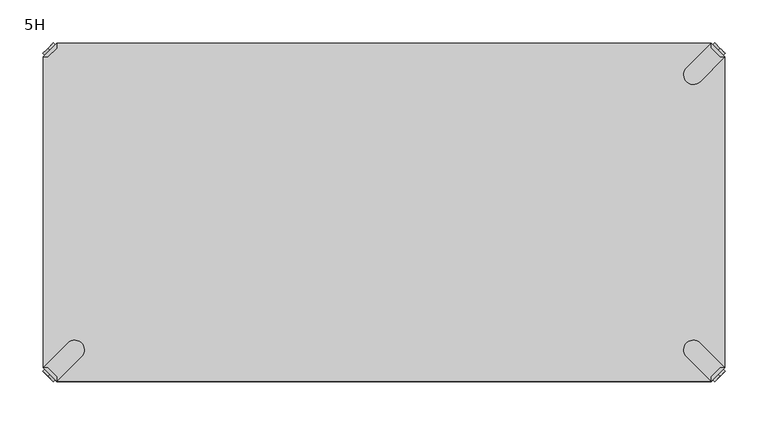
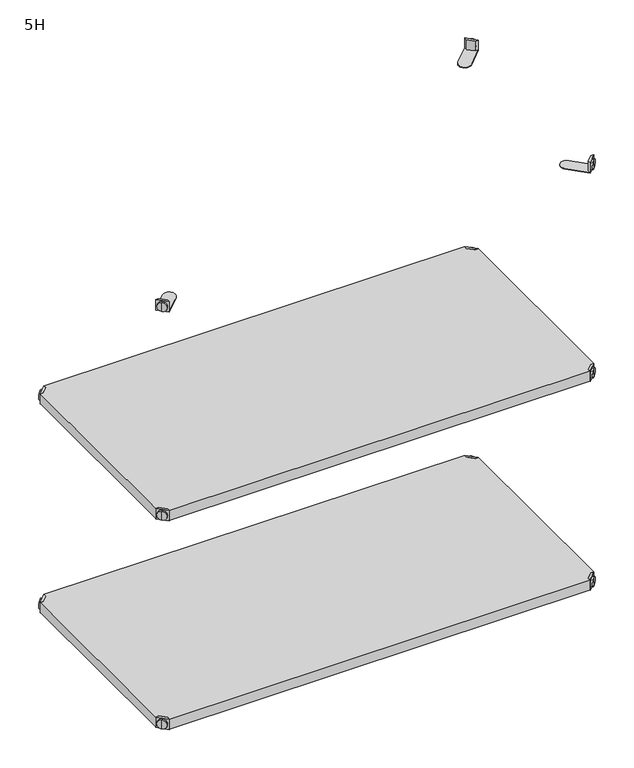
"""IFC4 building model written with IfcOpenShell, lengths in millimetres: furniture geometry, 5H."""

from ifc_helpers import new_model, si_unit, frame, origin, place, context, project, spatial, polyline, circle_curve, outline, extrude, source, transform, mapped, element, save
from ifc_brep_helpers import plane_surface, cylinder_surface, advanced_brep


def furniture_5h_38473c17(model_context):
    return source(origin(), model_context, "Body", "SolidModel", [
        advanced_brep(
        [(789.0398449, -10.9601551, 498.5), (789.0398449, -10.9601551, 507.0), (789.0398449, -10.9601551, 515.5), (791.1611652, -8.8388348, 498.5), (791.1611652, -8.8388348, 515.5), (791.1611652, -8.8388348, 507.0)],
        [
            (0, 1),
            (1, 2),
            (2, 0, circle_curve(frame((789.0398449, -10.9601551, 507.0), z_axis=(-0.7071067811865556, -0.7071067811865395, 0.0), x_axis=(0.0, 0.0, 1.0)), 8.5)),
            (0, 2, circle_curve(frame((789.0398449, -10.9601551, 507.0), z_axis=(-0.7071067811865556, -0.7071067811865395, 0.0), x_axis=(0.0, 0.0, 1.0)), 8.5)),
            (3, 0),
            (2, 4),
            (4, 3, circle_curve(frame((791.1611652, -8.8388348, 507.0), z_axis=(-0.7071067811865556, -0.7071067811865395, 0.0), x_axis=(0.0, 0.0, 1.0)), 8.5)),
            (3, 4, circle_curve(frame((791.1611652, -8.8388348, 507.0), z_axis=(-0.7071067811865556, -0.7071067811865395, 0.0), x_axis=(0.0, 0.0, 1.0)), 8.5)),
            (5, 3),
            (4, 5),
        ],
        [
            plane_surface(frame((789.0398449, -10.9601551, 507.0), z_axis=(-0.7071067811865552, -0.7071067811865399, 0.0), x_axis=(0.0, 0.0, 1.0))),
            cylinder_surface(frame((791.1611652, -8.8388348, 507.0), z_axis=(0.7071067811865556, 0.7071067811865395, 0.0), x_axis=(0.0, 0.0, 1.0)), 8.5),
            plane_surface(frame((791.1611652, -8.8388348, 507.0), z_axis=(0.7071067811865552, 0.7071067811865399, 0.0), x_axis=(0.0, 0.0, 1.0))),
        ],
        [
            (0, [[1, 2, 3]]),
            (0, [[-2, -1, 4]]),
            (1, [[5, -3, 6, 7]]),
            (1, [[-6, -4, -5, 8]]),
            (2, [[9, -7, 10]]),
            (2, [[-10, -8, -9]]),
        ],
    ),
        advanced_brep(
        [(781.0796898, -3.0, 517.0), (781.0796898, -8.6568542, 517.0), (791.3431458, -18.9203102, 517.0), (797.0, -18.9203102, 517.0), (797.0, -18.9203102, 498.0), (797.0, -18.9203102, 497.0), (781.0796898, -3.0, 497.0), (781.0796898, -3.0, 498.0), (781.0796898, -8.6568542, 498.0), (791.3431458, -18.9203102, 498.0), (752.2702923, -31.8093975, 498.0), (768.1906025, -47.7297077, 498.0), (768.1906025, -47.7297077, 497.0), (752.2702923, -31.8093975, 497.0)],
        [
            (0, 1),
            (1, 2),
            (2, 3),
            (3, 0),
            (3, 4),
            (4, 5),
            (5, 6),
            (6, 7),
            (7, 0),
            (1, 8),
            (8, 9),
            (9, 2),
            (7, 8),
            (9, 4),
            (7, 10),
            (10, 11, circle_curve(frame((760.2304474, -39.7695526, 498.0), z_axis=(0.0, 0.0, 1.0), x_axis=(-1.0, 0.0, 0.0)), 11.2573593)),
            (11, 4),
            (5, 12),
            (12, 13, circle_curve(frame((760.2304474, -39.7695526, 497.0), z_axis=(0.0, 0.0, -1.0), x_axis=(-1.0, 0.0, 0.0)), 11.2573593)),
            (13, 6),
            (11, 12),
            (10, 13),
        ],
        [
            plane_surface(frame((838.8756299, -60.7959401, 517.0), z_axis=(0.0, 0.0, 1.0000000000000002), x_axis=(0.7071067811865465, -0.7071067811865487, 0.0))),
            plane_surface(frame((781.0796898, -3.0, 517.0), z_axis=(0.7071067811865487, 0.7071067811865465, 0.0), x_axis=(0.0, 0.0, -1.0))),
            plane_surface(frame((791.3431458, -18.9203102, 517.0), z_axis=(-0.7071067811865573, -0.7071067811865377, 0.0), x_axis=(0.0, 0.0, -1.0))),
            plane_surface(frame((781.0796898, -8.6568542, 517.0), z_axis=(-1.0, 0.0, 0.0), x_axis=(0.0, 0.0, -1.0))),
            plane_surface(frame((797.0, -18.9203102, 517.0), z_axis=(0.0, -1.0, 0.0), x_axis=(0.0, 0.0, -1.0))),
            plane_surface(frame((797.0, -18.9203102, 498.0), z_axis=(0.0, 0.0, 1.0), x_axis=(0.7071067811865392, -0.7071067811865558, 0.0))),
            plane_surface(frame((797.0, -18.9203102, 497.0), z_axis=(0.0, 0.0, -1.0), x_axis=(-0.7071067811865392, 0.7071067811865558, 0.0))),
            plane_surface(frame((797.0, -18.9203102, 498.0), z_axis=(0.7071067811865399, -0.7071067811865552, 0.0), x_axis=(0.0, 0.0, -1.0))),
            cylinder_surface(frame((760.2304474, -39.7695526, 497.0), z_axis=(0.0, 0.0, 1.0), x_axis=(-1.0, 0.0, 0.0)), 11.2573593),
            plane_surface(frame((752.2702923, -31.8093975, 498.0), z_axis=(-0.7071067811865388, 0.7071067811865563, 0.0), x_axis=(0.0, 0.0, -1.0))),
        ],
        [
            (0, [[1, 2, 3, 4]]),
            (1, [[5, 6, 7, 8, 9, -4]]),
            (2, [[10, 11, 12, -2]]),
            (3, [[-9, 13, -10, -1]]),
            (4, [[-12, 14, -5, -3]]),
            (5, [[-14, -11, -13, 15, 16, 17]]),
            (6, [[-7, 18, 19, 20]]),
            (7, [[21, -18, -6, -17]]),
            (8, [[22, -19, -21, -16]]),
            (9, [[-8, -20, -22, -15]]),
        ],
    ),
        advanced_brep(
        [(789.0398449, -389.0398449, 498.5), (789.0398449, -389.0398449, 515.5), (789.0398449, -389.0398449, 507.0), (791.1611652, -391.1611652, 498.5), (791.1611652, -391.1611652, 515.5), (791.1611652, -391.1611652, 507.0)],
        [
            (0, 1, circle_curve(frame((789.0398449, -389.0398449, 507.0), z_axis=(-0.7071067811865509, 0.7071067811865441, 0.0), x_axis=(0.0, 0.0, 1.0)), 8.5)),
            (1, 2),
            (2, 0),
            (1, 0, circle_curve(frame((789.0398449, -389.0398449, 507.0), z_axis=(-0.7071067811865509, 0.7071067811865441, 0.0), x_axis=(0.0, 0.0, 1.0)), 8.5)),
            (3, 4, circle_curve(frame((791.1611652, -391.1611652, 507.0), z_axis=(-0.7071067811865509, 0.7071067811865441, 0.0), x_axis=(0.0, 0.0, 1.0)), 8.5)),
            (4, 1),
            (0, 3),
            (4, 3, circle_curve(frame((791.1611652, -391.1611652, 507.0), z_axis=(-0.7071067811865509, 0.7071067811865441, 0.0), x_axis=(0.0, 0.0, 1.0)), 8.5)),
            (5, 4),
            (3, 5),
        ],
        [
            plane_surface(frame((789.0398449, -389.0398449, 507.0), z_axis=(-0.7071067811865506, 0.7071067811865446, 0.0), x_axis=(0.0, 0.0, 1.0))),
            cylinder_surface(frame((791.1611652, -391.1611652, 507.0), z_axis=(0.7071067811865509, -0.7071067811865441, 0.0), x_axis=(0.0, 0.0, 1.0)), 8.5),
            plane_surface(frame((791.1611652, -391.1611652, 507.0), z_axis=(0.7071067811865506, -0.7071067811865446, 0.0), x_axis=(0.0, 0.0, 1.0))),
        ],
        [
            (0, [[1, 2, 3]]),
            (0, [[4, -3, -2]]),
            (1, [[5, 6, -1, 7]]),
            (1, [[8, -7, -4, -6]]),
            (2, [[9, -5, 10]]),
            (2, [[-10, -8, -9]]),
        ],
    ),
        advanced_brep(
        [(781.0796898, -397.0, 517.0), (797.0, -381.0796898, 517.0), (791.3431458, -381.0796898, 517.0), (781.0796898, -391.3431458, 517.0), (781.0796898, -397.0, 498.0), (781.0796898, -397.0, 497.0), (797.0, -381.0796898, 497.0), (797.0, -381.0796898, 498.0), (791.3431458, -381.0796898, 498.0), (781.0796898, -391.3431458, 498.0), (768.1906025, -352.2702923, 498.0), (752.2702923, -368.1906025, 498.0), (752.2702923, -368.1906025, 497.0), (768.1906025, -352.2702923, 497.0)],
        [
            (0, 1),
            (1, 2),
            (2, 3),
            (3, 0),
            (0, 4),
            (4, 5),
            (5, 6),
            (6, 7),
            (7, 1),
            (2, 8),
            (8, 9),
            (9, 3),
            (9, 4),
            (7, 8),
            (7, 10),
            (10, 11, circle_curve(frame((760.2304474, -360.2304474, 498.0), z_axis=(0.0, 0.0, 1.0), x_axis=(-1.0, 0.0, 0.0)), 11.2573593)),
            (11, 4),
            (5, 12),
            (12, 13, circle_curve(frame((760.2304474, -360.2304474, 497.0), z_axis=(0.0, 0.0, -1.0), x_axis=(-1.0, 0.0, 0.0)), 11.2573593)),
            (13, 6),
            (13, 10),
            (12, 11),
        ],
        [
            plane_surface(frame((838.8756299, -339.2040599, 517.0), z_axis=(0.0, 0.0, 1.0000000000000002), x_axis=(0.7071067811865511, 0.707106781186544, 0.0))),
            plane_surface(frame((781.0796898, -397.0, 517.0), z_axis=(0.707106781186544, -0.7071067811865511, 0.0), x_axis=(0.0, 0.0, -1.0))),
            plane_surface(frame((791.3431458, -381.0796898, 517.0), z_axis=(-0.7071067811865527, 0.7071067811865424, 0.0), x_axis=(0.0, 0.0, -1.0))),
            plane_surface(frame((781.0796898, -391.3431458, 517.0), z_axis=(-1.0, 0.0, 0.0), x_axis=(0.0, 0.0, -1.0))),
            plane_surface(frame((797.0, -381.0796898, 517.0), z_axis=(0.0, 1.0, 0.0), x_axis=(0.0, 0.0, -1.0))),
            plane_surface(frame((797.0, -381.0796898, 498.0), z_axis=(0.0, 0.0, 1.0), x_axis=(0.7071067811865439, 0.7071067811865511, 0.0))),
            plane_surface(frame((797.0, -381.0796898, 497.0), z_axis=(0.0, 0.0, -1.0), x_axis=(-0.7071067811865439, -0.7071067811865511, 0.0))),
            plane_surface(frame((797.0, -381.0796898, 498.0), z_axis=(0.7071067811865446, 0.7071067811865506, 0.0), x_axis=(0.0, 0.0, -1.0))),
            cylinder_surface(frame((760.2304474, -360.2304474, 497.0), z_axis=(0.0, 0.0, 1.0), x_axis=(-1.0, 0.0, 0.0)), 11.2573593),
            plane_surface(frame((752.2702923, -368.1906025, 498.0), z_axis=(-0.7071067811865435, -0.7071067811865517, 0.0), x_axis=(0.0, 0.0, -1.0))),
        ],
        [
            (0, [[1, 2, 3, 4]]),
            (1, [[-1, 5, 6, 7, 8, 9]]),
            (2, [[-3, 10, 11, 12]]),
            (3, [[-4, -12, 13, -5]]),
            (4, [[-2, -9, 14, -10]]),
            (5, [[15, 16, 17, -13, -11, -14]]),
            (6, [[18, 19, 20, -7]]),
            (7, [[-15, -8, -20, 21]]),
            (8, [[-16, -21, -19, 22]]),
            (9, [[-17, -22, -18, -6]]),
        ],
    ),
        advanced_brep(
        [(10.9601551, -389.0398449, 498.5), (10.9601551, -389.0398449, 507.0), (10.9601551, -389.0398449, 515.5), (8.8388348, -391.1611652, 498.5), (8.8388348, -391.1611652, 515.5), (8.8388348, -391.1611652, 507.0)],
        [
            (0, 1),
            (1, 2),
            (2, 0, circle_curve(frame((10.9601551, -389.0398449, 507.0), z_axis=(0.7071067811865509, 0.7071067811865441, 0.0), x_axis=(0.0, 0.0, 1.0)), 8.5)),
            (0, 2, circle_curve(frame((10.9601551, -389.0398449, 507.0), z_axis=(0.7071067811865509, 0.7071067811865441, 0.0), x_axis=(0.0, 0.0, 1.0)), 8.5)),
            (3, 0),
            (2, 4),
            (4, 3, circle_curve(frame((8.8388348, -391.1611652, 507.0), z_axis=(0.7071067811865509, 0.7071067811865441, 0.0), x_axis=(0.0, 0.0, 1.0)), 8.5)),
            (3, 4, circle_curve(frame((8.8388348, -391.1611652, 507.0), z_axis=(0.7071067811865509, 0.7071067811865441, 0.0), x_axis=(0.0, 0.0, 1.0)), 8.5)),
            (5, 3),
            (4, 5),
        ],
        [
            plane_surface(frame((10.9601551, -389.0398449, 507.0), z_axis=(0.7071067811865506, 0.7071067811865446, 0.0), x_axis=(0.0, 0.0, 1.0))),
            cylinder_surface(frame((8.8388348, -391.1611652, 507.0), z_axis=(-0.7071067811865509, -0.7071067811865441, 0.0), x_axis=(0.0, 0.0, 1.0)), 8.5),
            plane_surface(frame((8.8388348, -391.1611652, 507.0), z_axis=(-0.7071067811865506, -0.7071067811865446, 0.0), x_axis=(0.0, 0.0, 1.0))),
        ],
        [
            (0, [[1, 2, 3]]),
            (0, [[-2, -1, 4]]),
            (1, [[5, -3, 6, 7]]),
            (1, [[-6, -4, -5, 8]]),
            (2, [[9, -7, 10]]),
            (2, [[-10, -8, -9]]),
        ],
    ),
        advanced_brep(
        [(18.9203102, -397.0, 517.0), (18.9203102, -391.3431458, 517.0), (8.6568542, -381.0796898, 517.0), (3.0, -381.0796898, 517.0), (3.0, -381.0796898, 498.0), (3.0, -381.0796898, 497.0), (18.9203102, -397.0, 497.0), (18.9203102, -397.0, 498.0), (18.9203102, -391.3431458, 498.0), (8.6568542, -381.0796898, 498.0), (47.7297077, -368.1906025, 498.0), (31.8093975, -352.2702923, 498.0), (31.8093975, -352.2702923, 497.0), (47.7297077, -368.1906025, 497.0)],
        [
            (0, 1),
            (1, 2),
            (2, 3),
            (3, 0),
            (3, 4),
            (4, 5),
            (5, 6),
            (6, 7),
            (7, 0),
            (1, 8),
            (8, 9),
            (9, 2),
            (7, 8),
            (9, 4),
            (7, 10),
            (10, 11, circle_curve(frame((39.7695526, -360.2304474, 498.0), z_axis=(0.0, 0.0, 1.0), x_axis=(1.0, 0.0, 0.0)), 11.2573593)),
            (11, 4),
            (5, 12),
            (12, 13, circle_curve(frame((39.7695526, -360.2304474, 497.0), z_axis=(0.0, 0.0, -1.0), x_axis=(1.0, 0.0, 0.0)), 11.2573593)),
            (13, 6),
            (11, 12),
            (10, 13),
        ],
        [
            plane_surface(frame((-38.8756299, -339.2040599, 517.0), z_axis=(0.0, 0.0, 1.0000000000000002), x_axis=(-0.7071067811865511, 0.707106781186544, 0.0))),
            plane_surface(frame((18.9203102, -397.0, 517.0), z_axis=(-0.707106781186544, -0.7071067811865511, 0.0), x_axis=(0.0, 0.0, -1.0))),
            plane_surface(frame((8.6568542, -381.0796898, 517.0), z_axis=(0.7071067811865527, 0.7071067811865424, 0.0), x_axis=(0.0, 0.0, -1.0))),
            plane_surface(frame((18.9203102, -391.3431458, 517.0), z_axis=(1.0, 0.0, 0.0), x_axis=(0.0, 0.0, -1.0))),
            plane_surface(frame((3.0, -381.0796898, 517.0), z_axis=(0.0, 1.0, 0.0), x_axis=(0.0, 0.0, -1.0))),
            plane_surface(frame((3.0, -381.0796898, 498.0), z_axis=(0.0, 0.0, 1.0), x_axis=(-0.7071067811865439, 0.7071067811865511, 0.0))),
            plane_surface(frame((3.0, -381.0796898, 497.0), z_axis=(0.0, 0.0, -1.0), x_axis=(0.7071067811865439, -0.7071067811865511, 0.0))),
            plane_surface(frame((3.0, -381.0796898, 498.0), z_axis=(-0.7071067811865446, 0.7071067811865506, 0.0), x_axis=(0.0, 0.0, -1.0))),
            cylinder_surface(frame((39.7695526, -360.2304474, 497.0), z_axis=(0.0, 0.0, 1.0), x_axis=(1.0, 0.0, 0.0)), 11.2573593),
            plane_surface(frame((47.7297077, -368.1906025, 498.0), z_axis=(0.7071067811865435, -0.7071067811865517, 0.0), x_axis=(0.0, 0.0, -1.0))),
        ],
        [
            (0, [[1, 2, 3, 4]]),
            (1, [[5, 6, 7, 8, 9, -4]]),
            (2, [[10, 11, 12, -2]]),
            (3, [[-9, 13, -10, -1]]),
            (4, [[-12, 14, -5, -3]]),
            (5, [[-14, -11, -13, 15, 16, 17]]),
            (6, [[-7, 18, 19, 20]]),
            (7, [[21, -18, -6, -17]]),
            (8, [[22, -19, -21, -16]]),
            (9, [[-8, -20, -22, -15]]),
        ],
    ),
        advanced_brep(
        [(10.9601551, -10.9601551, 498.5), (10.9601551, -10.9601551, 515.5), (10.9601551, -10.9601551, 507.0), (8.8388348, -8.8388348, 498.5), (8.8388348, -8.8388348, 515.5), (8.8388348, -8.8388348, 507.0)],
        [
            (0, 1, circle_curve(frame((10.9601551, -10.9601551, 507.0), z_axis=(0.7071067811865464, -0.7071067811865487, 0.0), x_axis=(0.0, 0.0, 1.0)), 8.5)),
            (1, 2),
            (2, 0),
            (1, 0, circle_curve(frame((10.9601551, -10.9601551, 507.0), z_axis=(0.7071067811865464, -0.7071067811865487, 0.0), x_axis=(0.0, 0.0, 1.0)), 8.5)),
            (3, 4, circle_curve(frame((8.8388348, -8.8388348, 507.0), z_axis=(0.7071067811865464, -0.7071067811865487, 0.0), x_axis=(0.0, 0.0, 1.0)), 8.5)),
            (4, 1),
            (0, 3),
            (4, 3, circle_curve(frame((8.8388348, -8.8388348, 507.0), z_axis=(0.7071067811865464, -0.7071067811865487, 0.0), x_axis=(0.0, 0.0, 1.0)), 8.5)),
            (5, 4),
            (3, 5),
        ],
        [
            plane_surface(frame((10.9601551, -10.9601551, 507.0), z_axis=(0.707106781186546, -0.7071067811865491, 0.0), x_axis=(0.0, 0.0, 1.0))),
            cylinder_surface(frame((8.8388348, -8.8388348, 507.0), z_axis=(-0.7071067811865464, 0.7071067811865487, 0.0), x_axis=(0.0, 0.0, 1.0)), 8.5),
            plane_surface(frame((8.8388348, -8.8388348, 507.0), z_axis=(-0.707106781186546, 0.7071067811865491, 0.0), x_axis=(0.0, 0.0, 1.0))),
        ],
        [
            (0, [[1, 2, 3]]),
            (0, [[4, -3, -2]]),
            (1, [[5, 6, -1, 7]]),
            (1, [[8, -7, -4, -6]]),
            (2, [[9, -5, 10]]),
            (2, [[-10, -8, -9]]),
        ],
    ),
        advanced_brep(
        [(18.9203102, -3.0, 517.0), (3.0, -18.9203102, 517.0), (8.6568542, -18.9203102, 517.0), (18.9203102, -8.6568542, 517.0), (18.9203102, -3.0, 498.0), (18.9203102, -3.0, 497.0), (3.0, -18.9203102, 497.0), (3.0, -18.9203102, 498.0), (8.6568542, -18.9203102, 498.0), (18.9203102, -8.6568542, 498.0), (31.8093975, -47.7297077, 498.0), (47.7297077, -31.8093975, 498.0), (47.7297077, -31.8093975, 497.0), (31.8093975, -47.7297077, 497.0)],
        [
            (0, 1),
            (1, 2),
            (2, 3),
            (3, 0),
            (0, 4),
            (4, 5),
            (5, 6),
            (6, 7),
            (7, 1),
            (2, 8),
            (8, 9),
            (9, 3),
            (9, 4),
            (7, 8),
            (7, 10),
            (10, 11, circle_curve(frame((39.7695526, -39.7695526, 498.0), z_axis=(0.0, 0.0, 1.0), x_axis=(1.0, 0.0, 0.0)), 11.2573593)),
            (11, 4),
            (5, 12),
            (12, 13, circle_curve(frame((39.7695526, -39.7695526, 497.0), z_axis=(0.0, 0.0, -1.0), x_axis=(1.0, 0.0, 0.0)), 11.2573593)),
            (13, 6),
            (13, 10),
            (12, 11),
        ],
        [
            plane_surface(frame((-38.8756299, -60.7959401, 517.0), z_axis=(0.0, 0.0, 1.0000000000000002), x_axis=(-0.7071067811865557, -0.7071067811865395, 0.0))),
            plane_surface(frame((18.9203102, -3.0, 517.0), z_axis=(-0.7071067811865395, 0.7071067811865557, 0.0), x_axis=(0.0, 0.0, -1.0))),
            plane_surface(frame((8.6568542, -18.9203102, 517.0), z_axis=(0.7071067811865481, -0.7071067811865469, 0.0), x_axis=(0.0, 0.0, -1.0))),
            plane_surface(frame((18.9203102, -8.6568542, 517.0), z_axis=(1.0, 0.0, 0.0), x_axis=(0.0, 0.0, -1.0))),
            plane_surface(frame((3.0, -18.9203102, 517.0), z_axis=(0.0, -1.0, 0.0), x_axis=(0.0, 0.0, -1.0))),
            plane_surface(frame((3.0, -18.9203102, 498.0), z_axis=(0.0, 0.0, 1.0), x_axis=(-0.7071067811865485, -0.7071067811865466, 0.0))),
            plane_surface(frame((3.0, -18.9203102, 497.0), z_axis=(0.0, 0.0, -1.0), x_axis=(0.7071067811865485, 0.7071067811865466, 0.0))),
            plane_surface(frame((3.0, -18.9203102, 498.0), z_axis=(-0.7071067811865491, -0.707106781186546, 0.0), x_axis=(0.0, 0.0, -1.0))),
            cylinder_surface(frame((39.7695526, -39.7695526, 497.0), z_axis=(0.0, 0.0, 1.0), x_axis=(1.0, 0.0, 0.0)), 11.2573593),
            plane_surface(frame((47.7297077, -31.8093975, 498.0), z_axis=(0.707106781186548, 0.7071067811865471, 0.0), x_axis=(0.0, 0.0, -1.0))),
        ],
        [
            (0, [[1, 2, 3, 4]]),
            (1, [[-1, 5, 6, 7, 8, 9]]),
            (2, [[-3, 10, 11, 12]]),
            (3, [[-4, -12, 13, -5]]),
            (4, [[-2, -9, 14, -10]]),
            (5, [[15, 16, 17, -13, -11, -14]]),
            (6, [[18, 19, 20, -7]]),
            (7, [[-15, -8, -20, 21]]),
            (8, [[-16, -21, -19, 22]]),
            (9, [[-17, -22, -18, -6]]),
        ],
    ),
        extrude(outline(polyline([(781.0796898, -3.0), (781.0796898, -8.6568542), (791.3431458, -18.9203102), (797.0, -18.9203102), (797.0, -381.0796898), (791.3431458, -381.0796898), (781.0796898, -391.3431458), (781.0796898, -397.0), (18.9203102, -397.0), (18.9203102, -391.3431458), (8.6568542, -381.0796898), (3.0, -381.0796898), (3.0, -18.9203102), (8.6568542, -18.9203102), (18.9203102, -8.6568542), (18.9203102, -3.0), (781.0796898, -3.0)])), frame((0.0, 0.0, 498.0), z_axis=(0.0, 0.0, 1.0), x_axis=(1.0, 0.0, 0.0)), (0.0, 0.0, 1.0), 19.0),
        advanced_brep(
        [(789.0398449, -10.9601551, 898.5), (789.0398449, -10.9601551, 907.0), (789.0398449, -10.9601551, 915.5), (791.1611652, -8.8388348, 898.5), (791.1611652, -8.8388348, 915.5), (791.1611652, -8.8388348, 907.0)],
        [
            (0, 1),
            (1, 2),
            (2, 0, circle_curve(frame((789.0398449, -10.9601551, 907.0), z_axis=(-0.7071067811865556, -0.7071067811865395, 0.0), x_axis=(0.0, 0.0, 1.0)), 8.5)),
            (0, 2, circle_curve(frame((789.0398449, -10.9601551, 907.0), z_axis=(-0.7071067811865556, -0.7071067811865395, 0.0), x_axis=(0.0, 0.0, 1.0)), 8.5)),
            (3, 0),
            (2, 4),
            (4, 3, circle_curve(frame((791.1611652, -8.8388348, 907.0), z_axis=(-0.7071067811865556, -0.7071067811865395, 0.0), x_axis=(0.0, 0.0, 1.0)), 8.5)),
            (3, 4, circle_curve(frame((791.1611652, -8.8388348, 907.0), z_axis=(-0.7071067811865556, -0.7071067811865395, 0.0), x_axis=(0.0, 0.0, 1.0)), 8.5)),
            (5, 3),
            (4, 5),
        ],
        [
            plane_surface(frame((789.0398449, -10.9601551, 907.0), z_axis=(-0.7071067811865552, -0.7071067811865399, 0.0), x_axis=(0.0, 0.0, 1.0))),
            cylinder_surface(frame((791.1611652, -8.8388348, 907.0), z_axis=(0.7071067811865556, 0.7071067811865395, 0.0), x_axis=(0.0, 0.0, 1.0)), 8.5),
            plane_surface(frame((791.1611652, -8.8388348, 907.0), z_axis=(0.7071067811865552, 0.7071067811865399, 0.0), x_axis=(0.0, 0.0, 1.0))),
        ],
        [
            (0, [[1, 2, 3]]),
            (0, [[-2, -1, 4]]),
            (1, [[5, -3, 6, 7]]),
            (1, [[-6, -4, -5, 8]]),
            (2, [[9, -7, 10]]),
            (2, [[-10, -8, -9]]),
        ],
    ),
        advanced_brep(
        [(781.0796898, -3.0, 917.0), (781.0796898, -8.6568542, 917.0), (791.3431458, -18.9203102, 917.0), (797.0, -18.9203102, 917.0), (797.0, -18.9203102, 898.0), (797.0, -18.9203102, 897.0), (781.0796898, -3.0, 897.0), (781.0796898, -3.0, 898.0), (781.0796898, -8.6568542, 898.0), (791.3431458, -18.9203102, 898.0), (752.2702923, -31.8093975, 898.0), (768.1906025, -47.7297077, 898.0), (768.1906025, -47.7297077, 897.0), (752.2702923, -31.8093975, 897.0)],
        [
            (0, 1),
            (1, 2),
            (2, 3),
            (3, 0),
            (3, 4),
            (4, 5),
            (5, 6),
            (6, 7),
            (7, 0),
            (1, 8),
            (8, 9),
            (9, 2),
            (7, 8),
            (9, 4),
            (7, 10),
            (10, 11, circle_curve(frame((760.2304474, -39.7695526, 898.0), z_axis=(0.0, 0.0, 1.0), x_axis=(-1.0, 0.0, 0.0)), 11.2573593)),
            (11, 4),
            (5, 12),
            (12, 13, circle_curve(frame((760.2304474, -39.7695526, 897.0), z_axis=(0.0, 0.0, -1.0), x_axis=(-1.0, 0.0, 0.0)), 11.2573593)),
            (13, 6),
            (11, 12),
            (10, 13),
        ],
        [
            plane_surface(frame((838.8756299, -60.7959401, 917.0), z_axis=(0.0, 0.0, 1.0000000000000002), x_axis=(0.7071067811865465, -0.7071067811865487, 0.0))),
            plane_surface(frame((781.0796898, -3.0, 917.0), z_axis=(0.7071067811865487, 0.7071067811865465, 0.0), x_axis=(0.0, 0.0, -1.0))),
            plane_surface(frame((791.3431458, -18.9203102, 917.0), z_axis=(-0.7071067811865573, -0.7071067811865377, 0.0), x_axis=(0.0, 0.0, -1.0))),
            plane_surface(frame((781.0796898, -8.6568542, 917.0), z_axis=(-1.0, 0.0, 0.0), x_axis=(0.0, 0.0, -1.0))),
            plane_surface(frame((797.0, -18.9203102, 917.0), z_axis=(0.0, -1.0, 0.0), x_axis=(0.0, 0.0, -1.0))),
            plane_surface(frame((797.0, -18.9203102, 898.0), z_axis=(0.0, 0.0, 1.0), x_axis=(0.7071067811865392, -0.7071067811865558, 0.0))),
            plane_surface(frame((797.0, -18.9203102, 897.0), z_axis=(0.0, 0.0, -1.0), x_axis=(-0.7071067811865392, 0.7071067811865558, 0.0))),
            plane_surface(frame((797.0, -18.9203102, 898.0), z_axis=(0.7071067811865399, -0.7071067811865552, 0.0), x_axis=(0.0, 0.0, -1.0))),
            cylinder_surface(frame((760.2304474, -39.7695526, 897.0), z_axis=(0.0, 0.0, 1.0), x_axis=(-1.0, 0.0, 0.0)), 11.2573593),
            plane_surface(frame((752.2702923, -31.8093975, 898.0), z_axis=(-0.7071067811865388, 0.7071067811865563, 0.0), x_axis=(0.0, 0.0, -1.0))),
        ],
        [
            (0, [[1, 2, 3, 4]]),
            (1, [[5, 6, 7, 8, 9, -4]]),
            (2, [[10, 11, 12, -2]]),
            (3, [[-9, 13, -10, -1]]),
            (4, [[-12, 14, -5, -3]]),
            (5, [[-14, -11, -13, 15, 16, 17]]),
            (6, [[-7, 18, 19, 20]]),
            (7, [[21, -18, -6, -17]]),
            (8, [[22, -19, -21, -16]]),
            (9, [[-8, -20, -22, -15]]),
        ],
    ),
        advanced_brep(
        [(789.0398449, -389.0398449, 898.5), (789.0398449, -389.0398449, 915.5), (789.0398449, -389.0398449, 907.0), (791.1611652, -391.1611652, 898.5), (791.1611652, -391.1611652, 915.5), (791.1611652, -391.1611652, 907.0)],
        [
            (0, 1, circle_curve(frame((789.0398449, -389.0398449, 907.0), z_axis=(-0.7071067811865509, 0.7071067811865441, 0.0), x_axis=(0.0, 0.0, 1.0)), 8.5)),
            (1, 2),
            (2, 0),
            (1, 0, circle_curve(frame((789.0398449, -389.0398449, 907.0), z_axis=(-0.7071067811865509, 0.7071067811865441, 0.0), x_axis=(0.0, 0.0, 1.0)), 8.5)),
            (3, 4, circle_curve(frame((791.1611652, -391.1611652, 907.0), z_axis=(-0.7071067811865509, 0.7071067811865441, 0.0), x_axis=(0.0, 0.0, 1.0)), 8.5)),
            (4, 1),
            (0, 3),
            (4, 3, circle_curve(frame((791.1611652, -391.1611652, 907.0), z_axis=(-0.7071067811865509, 0.7071067811865441, 0.0), x_axis=(0.0, 0.0, 1.0)), 8.5)),
            (5, 4),
            (3, 5),
        ],
        [
            plane_surface(frame((789.0398449, -389.0398449, 907.0), z_axis=(-0.7071067811865506, 0.7071067811865446, 0.0), x_axis=(0.0, 0.0, 1.0))),
            cylinder_surface(frame((791.1611652, -391.1611652, 907.0), z_axis=(0.7071067811865509, -0.7071067811865441, 0.0), x_axis=(0.0, 0.0, 1.0)), 8.5),
            plane_surface(frame((791.1611652, -391.1611652, 907.0), z_axis=(0.7071067811865506, -0.7071067811865446, 0.0), x_axis=(0.0, 0.0, 1.0))),
        ],
        [
            (0, [[1, 2, 3]]),
            (0, [[4, -3, -2]]),
            (1, [[5, 6, -1, 7]]),
            (1, [[8, -7, -4, -6]]),
            (2, [[9, -5, 10]]),
            (2, [[-10, -8, -9]]),
        ],
    ),
        advanced_brep(
        [(781.0796898, -397.0, 917.0), (797.0, -381.0796898, 917.0), (791.3431458, -381.0796898, 917.0), (781.0796898, -391.3431458, 917.0), (781.0796898, -397.0, 898.0), (781.0796898, -397.0, 897.0), (797.0, -381.0796898, 897.0), (797.0, -381.0796898, 898.0), (791.3431458, -381.0796898, 898.0), (781.0796898, -391.3431458, 898.0), (768.1906025, -352.2702923, 898.0), (752.2702923, -368.1906025, 898.0), (752.2702923, -368.1906025, 897.0), (768.1906025, -352.2702923, 897.0)],
        [
            (0, 1),
            (1, 2),
            (2, 3),
            (3, 0),
            (0, 4),
            (4, 5),
            (5, 6),
            (6, 7),
            (7, 1),
            (2, 8),
            (8, 9),
            (9, 3),
            (9, 4),
            (7, 8),
            (7, 10),
            (10, 11, circle_curve(frame((760.2304474, -360.2304474, 898.0), z_axis=(0.0, 0.0, 1.0), x_axis=(-1.0, 0.0, 0.0)), 11.2573593)),
            (11, 4),
            (5, 12),
            (12, 13, circle_curve(frame((760.2304474, -360.2304474, 897.0), z_axis=(0.0, 0.0, -1.0), x_axis=(-1.0, 0.0, 0.0)), 11.2573593)),
            (13, 6),
            (13, 10),
            (12, 11),
        ],
        [
            plane_surface(frame((838.8756299, -339.2040599, 917.0), z_axis=(0.0, 0.0, 1.0000000000000002), x_axis=(0.7071067811865511, 0.707106781186544, 0.0))),
            plane_surface(frame((781.0796898, -397.0, 917.0), z_axis=(0.707106781186544, -0.7071067811865511, 0.0), x_axis=(0.0, 0.0, -1.0))),
            plane_surface(frame((791.3431458, -381.0796898, 917.0), z_axis=(-0.7071067811865527, 0.7071067811865424, 0.0), x_axis=(0.0, 0.0, -1.0))),
            plane_surface(frame((781.0796898, -391.3431458, 917.0), z_axis=(-1.0, 0.0, 0.0), x_axis=(0.0, 0.0, -1.0))),
            plane_surface(frame((797.0, -381.0796898, 917.0), z_axis=(0.0, 1.0, 0.0), x_axis=(0.0, 0.0, -1.0))),
            plane_surface(frame((797.0, -381.0796898, 898.0), z_axis=(0.0, 0.0, 1.0), x_axis=(0.7071067811865439, 0.7071067811865511, 0.0))),
            plane_surface(frame((797.0, -381.0796898, 897.0), z_axis=(0.0, 0.0, -1.0), x_axis=(-0.7071067811865439, -0.7071067811865511, 0.0))),
            plane_surface(frame((797.0, -381.0796898, 898.0), z_axis=(0.7071067811865446, 0.7071067811865506, 0.0), x_axis=(0.0, 0.0, -1.0))),
            cylinder_surface(frame((760.2304474, -360.2304474, 897.0), z_axis=(0.0, 0.0, 1.0), x_axis=(-1.0, 0.0, 0.0)), 11.2573593),
            plane_surface(frame((752.2702923, -368.1906025, 898.0), z_axis=(-0.7071067811865435, -0.7071067811865517, 0.0), x_axis=(0.0, 0.0, -1.0))),
        ],
        [
            (0, [[1, 2, 3, 4]]),
            (1, [[-1, 5, 6, 7, 8, 9]]),
            (2, [[-3, 10, 11, 12]]),
            (3, [[-4, -12, 13, -5]]),
            (4, [[-2, -9, 14, -10]]),
            (5, [[15, 16, 17, -13, -11, -14]]),
            (6, [[18, 19, 20, -7]]),
            (7, [[-15, -8, -20, 21]]),
            (8, [[-16, -21, -19, 22]]),
            (9, [[-17, -22, -18, -6]]),
        ],
    ),
        advanced_brep(
        [(10.9601551, -389.0398449, 898.5), (10.9601551, -389.0398449, 907.0), (10.9601551, -389.0398449, 915.5), (8.8388348, -391.1611652, 898.5), (8.8388348, -391.1611652, 915.5), (8.8388348, -391.1611652, 907.0)],
        [
            (0, 1),
            (1, 2),
            (2, 0, circle_curve(frame((10.9601551, -389.0398449, 907.0), z_axis=(0.7071067811865509, 0.7071067811865441, 0.0), x_axis=(0.0, 0.0, 1.0)), 8.5)),
            (0, 2, circle_curve(frame((10.9601551, -389.0398449, 907.0), z_axis=(0.7071067811865509, 0.7071067811865441, 0.0), x_axis=(0.0, 0.0, 1.0)), 8.5)),
            (3, 0),
            (2, 4),
            (4, 3, circle_curve(frame((8.8388348, -391.1611652, 907.0), z_axis=(0.7071067811865509, 0.7071067811865441, 0.0), x_axis=(0.0, 0.0, 1.0)), 8.5)),
            (3, 4, circle_curve(frame((8.8388348, -391.1611652, 907.0), z_axis=(0.7071067811865509, 0.7071067811865441, 0.0), x_axis=(0.0, 0.0, 1.0)), 8.5)),
            (5, 3),
            (4, 5),
        ],
        [
            plane_surface(frame((10.9601551, -389.0398449, 907.0), z_axis=(0.7071067811865506, 0.7071067811865446, 0.0), x_axis=(0.0, 0.0, 1.0))),
            cylinder_surface(frame((8.8388348, -391.1611652, 907.0), z_axis=(-0.7071067811865509, -0.7071067811865441, 0.0), x_axis=(0.0, 0.0, 1.0)), 8.5),
            plane_surface(frame((8.8388348, -391.1611652, 907.0), z_axis=(-0.7071067811865506, -0.7071067811865446, 0.0), x_axis=(0.0, 0.0, 1.0))),
        ],
        [
            (0, [[1, 2, 3]]),
            (0, [[-2, -1, 4]]),
            (1, [[5, -3, 6, 7]]),
            (1, [[-6, -4, -5, 8]]),
            (2, [[9, -7, 10]]),
            (2, [[-10, -8, -9]]),
        ],
    ),
        advanced_brep(
        [(18.9203102, -397.0, 917.0), (18.9203102, -391.3431458, 917.0), (8.6568542, -381.0796898, 917.0), (3.0, -381.0796898, 917.0), (3.0, -381.0796898, 898.0), (3.0, -381.0796898, 897.0), (18.9203102, -397.0, 897.0), (18.9203102, -397.0, 898.0), (18.9203102, -391.3431458, 898.0), (8.6568542, -381.0796898, 898.0), (47.7297077, -368.1906025, 898.0), (31.8093975, -352.2702923, 898.0), (31.8093975, -352.2702923, 897.0), (47.7297077, -368.1906025, 897.0)],
        [
            (0, 1),
            (1, 2),
            (2, 3),
            (3, 0),
            (3, 4),
            (4, 5),
            (5, 6),
            (6, 7),
            (7, 0),
            (1, 8),
            (8, 9),
            (9, 2),
            (7, 8),
            (9, 4),
            (7, 10),
            (10, 11, circle_curve(frame((39.7695526, -360.2304474, 898.0), z_axis=(0.0, 0.0, 1.0), x_axis=(1.0, 0.0, 0.0)), 11.2573593)),
            (11, 4),
            (5, 12),
            (12, 13, circle_curve(frame((39.7695526, -360.2304474, 897.0), z_axis=(0.0, 0.0, -1.0), x_axis=(1.0, 0.0, 0.0)), 11.2573593)),
            (13, 6),
            (11, 12),
            (10, 13),
        ],
        [
            plane_surface(frame((-38.8756299, -339.2040599, 917.0), z_axis=(0.0, 0.0, 1.0000000000000002), x_axis=(-0.7071067811865511, 0.707106781186544, 0.0))),
            plane_surface(frame((18.9203102, -397.0, 917.0), z_axis=(-0.707106781186544, -0.7071067811865511, 0.0), x_axis=(0.0, 0.0, -1.0))),
            plane_surface(frame((8.6568542, -381.0796898, 917.0), z_axis=(0.7071067811865527, 0.7071067811865424, 0.0), x_axis=(0.0, 0.0, -1.0))),
            plane_surface(frame((18.9203102, -391.3431458, 917.0), z_axis=(1.0, 0.0, 0.0), x_axis=(0.0, 0.0, -1.0))),
            plane_surface(frame((3.0, -381.0796898, 917.0), z_axis=(0.0, 1.0, 0.0), x_axis=(0.0, 0.0, -1.0))),
            plane_surface(frame((3.0, -381.0796898, 898.0), z_axis=(0.0, 0.0, 1.0), x_axis=(-0.7071067811865439, 0.7071067811865511, 0.0))),
            plane_surface(frame((3.0, -381.0796898, 897.0), z_axis=(0.0, 0.0, -1.0), x_axis=(0.7071067811865439, -0.7071067811865511, 0.0))),
            plane_surface(frame((3.0, -381.0796898, 898.0), z_axis=(-0.7071067811865446, 0.7071067811865506, 0.0), x_axis=(0.0, 0.0, -1.0))),
            cylinder_surface(frame((39.7695526, -360.2304474, 897.0), z_axis=(0.0, 0.0, 1.0), x_axis=(1.0, 0.0, 0.0)), 11.2573593),
            plane_surface(frame((47.7297077, -368.1906025, 898.0), z_axis=(0.7071067811865435, -0.7071067811865517, 0.0), x_axis=(0.0, 0.0, -1.0))),
        ],
        [
            (0, [[1, 2, 3, 4]]),
            (1, [[5, 6, 7, 8, 9, -4]]),
            (2, [[10, 11, 12, -2]]),
            (3, [[-9, 13, -10, -1]]),
            (4, [[-12, 14, -5, -3]]),
            (5, [[-14, -11, -13, 15, 16, 17]]),
            (6, [[-7, 18, 19, 20]]),
            (7, [[21, -18, -6, -17]]),
            (8, [[22, -19, -21, -16]]),
            (9, [[-8, -20, -22, -15]]),
        ],
    ),
        advanced_brep(
        [(10.9601551, -10.9601551, 898.5), (10.9601551, -10.9601551, 915.5), (10.9601551, -10.9601551, 907.0), (8.8388348, -8.8388348, 898.5), (8.8388348, -8.8388348, 915.5), (8.8388348, -8.8388348, 907.0)],
        [
            (0, 1, circle_curve(frame((10.9601551, -10.9601551, 907.0), z_axis=(0.7071067811865464, -0.7071067811865487, 0.0), x_axis=(0.0, 0.0, 1.0)), 8.5)),
            (1, 2),
            (2, 0),
            (1, 0, circle_curve(frame((10.9601551, -10.9601551, 907.0), z_axis=(0.7071067811865464, -0.7071067811865487, 0.0), x_axis=(0.0, 0.0, 1.0)), 8.5)),
            (3, 4, circle_curve(frame((8.8388348, -8.8388348, 907.0), z_axis=(0.7071067811865464, -0.7071067811865487, 0.0), x_axis=(0.0, 0.0, 1.0)), 8.5)),
            (4, 1),
            (0, 3),
            (4, 3, circle_curve(frame((8.8388348, -8.8388348, 907.0), z_axis=(0.7071067811865464, -0.7071067811865487, 0.0), x_axis=(0.0, 0.0, 1.0)), 8.5)),
            (5, 4),
            (3, 5),
        ],
        [
            plane_surface(frame((10.9601551, -10.9601551, 907.0), z_axis=(0.707106781186546, -0.7071067811865491, 0.0), x_axis=(0.0, 0.0, 1.0))),
            cylinder_surface(frame((8.8388348, -8.8388348, 907.0), z_axis=(-0.7071067811865464, 0.7071067811865487, 0.0), x_axis=(0.0, 0.0, 1.0)), 8.5),
            plane_surface(frame((8.8388348, -8.8388348, 907.0), z_axis=(-0.707106781186546, 0.7071067811865491, 0.0), x_axis=(0.0, 0.0, 1.0))),
        ],
        [
            (0, [[1, 2, 3]]),
            (0, [[4, -3, -2]]),
            (1, [[5, 6, -1, 7]]),
            (1, [[8, -7, -4, -6]]),
            (2, [[9, -5, 10]]),
            (2, [[-10, -8, -9]]),
        ],
    ),
        advanced_brep(
        [(18.9203102, -3.0, 917.0), (3.0, -18.9203102, 917.0), (8.6568542, -18.9203102, 917.0), (18.9203102, -8.6568542, 917.0), (18.9203102, -3.0, 898.0), (18.9203102, -3.0, 897.0), (3.0, -18.9203102, 897.0), (3.0, -18.9203102, 898.0), (8.6568542, -18.9203102, 898.0), (18.9203102, -8.6568542, 898.0), (31.8093975, -47.7297077, 898.0), (47.7297077, -31.8093975, 898.0), (47.7297077, -31.8093975, 897.0), (31.8093975, -47.7297077, 897.0)],
        [
            (0, 1),
            (1, 2),
            (2, 3),
            (3, 0),
            (0, 4),
            (4, 5),
            (5, 6),
            (6, 7),
            (7, 1),
            (2, 8),
            (8, 9),
            (9, 3),
            (9, 4),
            (7, 8),
            (7, 10),
            (10, 11, circle_curve(frame((39.7695526, -39.7695526, 898.0), z_axis=(0.0, 0.0, 1.0), x_axis=(1.0, 0.0, 0.0)), 11.2573593)),
            (11, 4),
            (5, 12),
            (12, 13, circle_curve(frame((39.7695526, -39.7695526, 897.0), z_axis=(0.0, 0.0, -1.0), x_axis=(1.0, 0.0, 0.0)), 11.2573593)),
            (13, 6),
            (13, 10),
            (12, 11),
        ],
        [
            plane_surface(frame((-38.8756299, -60.7959401, 917.0), z_axis=(0.0, 0.0, 1.0000000000000002), x_axis=(-0.7071067811865557, -0.7071067811865395, 0.0))),
            plane_surface(frame((18.9203102, -3.0, 917.0), z_axis=(-0.7071067811865395, 0.7071067811865557, 0.0), x_axis=(0.0, 0.0, -1.0))),
            plane_surface(frame((8.6568542, -18.9203102, 917.0), z_axis=(0.7071067811865481, -0.7071067811865469, 0.0), x_axis=(0.0, 0.0, -1.0))),
            plane_surface(frame((18.9203102, -8.6568542, 917.0), z_axis=(1.0, 0.0, 0.0), x_axis=(0.0, 0.0, -1.0))),
            plane_surface(frame((3.0, -18.9203102, 917.0), z_axis=(0.0, -1.0, 0.0), x_axis=(0.0, 0.0, -1.0))),
            plane_surface(frame((3.0, -18.9203102, 898.0), z_axis=(0.0, 0.0, 1.0), x_axis=(-0.7071067811865485, -0.7071067811865466, 0.0))),
            plane_surface(frame((3.0, -18.9203102, 897.0), z_axis=(0.0, 0.0, -1.0), x_axis=(0.7071067811865485, 0.7071067811865466, 0.0))),
            plane_surface(frame((3.0, -18.9203102, 898.0), z_axis=(-0.7071067811865491, -0.707106781186546, 0.0), x_axis=(0.0, 0.0, -1.0))),
            cylinder_surface(frame((39.7695526, -39.7695526, 897.0), z_axis=(0.0, 0.0, 1.0), x_axis=(1.0, 0.0, 0.0)), 11.2573593),
            plane_surface(frame((47.7297077, -31.8093975, 898.0), z_axis=(0.707106781186548, 0.7071067811865471, 0.0), x_axis=(0.0, 0.0, -1.0))),
        ],
        [
            (0, [[1, 2, 3, 4]]),
            (1, [[-1, 5, 6, 7, 8, 9]]),
            (2, [[-3, 10, 11, 12]]),
            (3, [[-4, -12, 13, -5]]),
            (4, [[-2, -9, 14, -10]]),
            (5, [[15, 16, 17, -13, -11, -14]]),
            (6, [[18, 19, 20, -7]]),
            (7, [[-15, -8, -20, 21]]),
            (8, [[-16, -21, -19, 22]]),
            (9, [[-17, -22, -18, -6]]),
        ],
    ),
        extrude(outline(polyline([(781.0796898, -3.0), (781.0796898, -8.6568542), (791.3431458, -18.9203102), (797.0, -18.9203102), (797.0, -381.0796898), (791.3431458, -381.0796898), (781.0796898, -391.3431458), (781.0796898, -397.0), (18.9203102, -397.0), (18.9203102, -391.3431458), (8.6568542, -381.0796898), (3.0, -381.0796898), (3.0, -18.9203102), (8.6568542, -18.9203102), (18.9203102, -8.6568542), (18.9203102, -3.0), (781.0796898, -3.0)])), frame((0.0, 0.0, 898.0), z_axis=(0.0, 0.0, 1.0), x_axis=(1.0, 0.0, 0.0)), (0.0, 0.0, 1.0), 19.0),
        advanced_brep(
        [(789.0398449, -10.9601551, 1298.5), (789.0398449, -10.9601551, 1307.0), (789.0398449, -10.9601551, 1315.5), (791.1611652, -8.8388348, 1298.5), (791.1611652, -8.8388348, 1315.5), (791.1611652, -8.8388348, 1307.0)],
        [
            (0, 1),
            (1, 2),
            (2, 0, circle_curve(frame((789.0398449, -10.9601551, 1307.0), z_axis=(-0.7071067811865556, -0.7071067811865395, 0.0), x_axis=(0.0, 0.0, 1.0)), 8.5)),
            (0, 2, circle_curve(frame((789.0398449, -10.9601551, 1307.0), z_axis=(-0.7071067811865556, -0.7071067811865395, 0.0), x_axis=(0.0, 0.0, 1.0)), 8.5)),
            (3, 0),
            (2, 4),
            (4, 3, circle_curve(frame((791.1611652, -8.8388348, 1307.0), z_axis=(-0.7071067811865556, -0.7071067811865395, 0.0), x_axis=(0.0, 0.0, 1.0)), 8.5)),
            (3, 4, circle_curve(frame((791.1611652, -8.8388348, 1307.0), z_axis=(-0.7071067811865556, -0.7071067811865395, 0.0), x_axis=(0.0, 0.0, 1.0)), 8.5)),
            (5, 3),
            (4, 5),
        ],
        [
            plane_surface(frame((789.0398449, -10.9601551, 1307.0), z_axis=(-0.7071067811865552, -0.7071067811865399, 0.0), x_axis=(0.0, 0.0, 1.0))),
            cylinder_surface(frame((791.1611652, -8.8388348, 1307.0), z_axis=(0.7071067811865556, 0.7071067811865395, 0.0), x_axis=(0.0, 0.0, 1.0)), 8.5),
            plane_surface(frame((791.1611652, -8.8388348, 1307.0), z_axis=(0.7071067811865552, 0.7071067811865399, 0.0), x_axis=(0.0, 0.0, 1.0))),
        ],
        [
            (0, [[1, 2, 3]]),
            (0, [[-2, -1, 4]]),
            (1, [[5, -3, 6, 7]]),
            (1, [[-6, -4, -5, 8]]),
            (2, [[9, -7, 10]]),
            (2, [[-10, -8, -9]]),
        ],
    ),
        advanced_brep(
        [(781.0796898, -3.0, 1317.0), (781.0796898, -8.6568542, 1317.0), (791.3431458, -18.9203102, 1317.0), (797.0, -18.9203102, 1317.0), (797.0, -18.9203102, 1298.0), (797.0, -18.9203102, 1297.0), (781.0796898, -3.0, 1297.0), (781.0796898, -3.0, 1298.0), (781.0796898, -8.6568542, 1298.0), (791.3431458, -18.9203102, 1298.0), (752.2702923, -31.8093975, 1298.0), (768.1906025, -47.7297077, 1298.0), (768.1906025, -47.7297077, 1297.0), (752.2702923, -31.8093975, 1297.0)],
        [
            (0, 1),
            (1, 2),
            (2, 3),
            (3, 0),
            (3, 4),
            (4, 5),
            (5, 6),
            (6, 7),
            (7, 0),
            (1, 8),
            (8, 9),
            (9, 2),
            (7, 8),
            (9, 4),
            (7, 10),
            (10, 11, circle_curve(frame((760.2304474, -39.7695526, 1298.0), z_axis=(0.0, 0.0, 1.0), x_axis=(-1.0, 0.0, 0.0)), 11.2573593)),
            (11, 4),
            (5, 12),
            (12, 13, circle_curve(frame((760.2304474, -39.7695526, 1297.0), z_axis=(0.0, 0.0, -1.0), x_axis=(-1.0, 0.0, 0.0)), 11.2573593)),
            (13, 6),
            (11, 12),
            (10, 13),
        ],
        [
            plane_surface(frame((838.8756299, -60.7959401, 1317.0), z_axis=(0.0, 0.0, 1.0000000000000002), x_axis=(0.7071067811865465, -0.7071067811865487, 0.0))),
            plane_surface(frame((781.0796898, -3.0, 1317.0), z_axis=(0.7071067811865487, 0.7071067811865465, 0.0), x_axis=(0.0, 0.0, -1.0))),
            plane_surface(frame((791.3431458, -18.9203102, 1317.0), z_axis=(-0.7071067811865573, -0.7071067811865377, 0.0), x_axis=(0.0, 0.0, -1.0))),
            plane_surface(frame((781.0796898, -8.6568542, 1317.0), z_axis=(-1.0, 0.0, 0.0), x_axis=(0.0, 0.0, -1.0))),
            plane_surface(frame((797.0, -18.9203102, 1317.0), z_axis=(0.0, -1.0, 0.0), x_axis=(0.0, 0.0, -1.0))),
            plane_surface(frame((797.0, -18.9203102, 1298.0), z_axis=(0.0, 0.0, 1.0), x_axis=(0.7071067811865392, -0.7071067811865558, 0.0))),
            plane_surface(frame((797.0, -18.9203102, 1297.0), z_axis=(0.0, 0.0, -1.0), x_axis=(-0.7071067811865392, 0.7071067811865558, 0.0))),
            plane_surface(frame((797.0, -18.9203102, 1298.0), z_axis=(0.7071067811865399, -0.7071067811865552, 0.0), x_axis=(0.0, 0.0, -1.0))),
            cylinder_surface(frame((760.2304474, -39.7695526, 1297.0), z_axis=(0.0, 0.0, 1.0), x_axis=(-1.0, 0.0, 0.0)), 11.2573593),
            plane_surface(frame((752.2702923, -31.8093975, 1298.0), z_axis=(-0.7071067811865388, 0.7071067811865563, 0.0), x_axis=(0.0, 0.0, -1.0))),
        ],
        [
            (0, [[1, 2, 3, 4]]),
            (1, [[5, 6, 7, 8, 9, -4]]),
            (2, [[10, 11, 12, -2]]),
            (3, [[-9, 13, -10, -1]]),
            (4, [[-12, 14, -5, -3]]),
            (5, [[-14, -11, -13, 15, 16, 17]]),
            (6, [[-7, 18, 19, 20]]),
            (7, [[21, -18, -6, -17]]),
            (8, [[22, -19, -21, -16]]),
            (9, [[-8, -20, -22, -15]]),
        ],
    ),
        advanced_brep(
        [(789.0398449, -389.0398449, 1298.5), (789.0398449, -389.0398449, 1315.5), (789.0398449, -389.0398449, 1307.0), (791.1611652, -391.1611652, 1298.5), (791.1611652, -391.1611652, 1315.5), (791.1611652, -391.1611652, 1307.0)],
        [
            (0, 1, circle_curve(frame((789.0398449, -389.0398449, 1307.0), z_axis=(-0.7071067811865509, 0.7071067811865441, 0.0), x_axis=(0.0, 0.0, 1.0)), 8.5)),
            (1, 2),
            (2, 0),
            (1, 0, circle_curve(frame((789.0398449, -389.0398449, 1307.0), z_axis=(-0.7071067811865509, 0.7071067811865441, 0.0), x_axis=(0.0, 0.0, 1.0)), 8.5)),
            (3, 4, circle_curve(frame((791.1611652, -391.1611652, 1307.0), z_axis=(-0.7071067811865509, 0.7071067811865441, 0.0), x_axis=(0.0, 0.0, 1.0)), 8.5)),
            (4, 1),
            (0, 3),
            (4, 3, circle_curve(frame((791.1611652, -391.1611652, 1307.0), z_axis=(-0.7071067811865509, 0.7071067811865441, 0.0), x_axis=(0.0, 0.0, 1.0)), 8.5)),
            (5, 4),
            (3, 5),
        ],
        [
            plane_surface(frame((789.0398449, -389.0398449, 1307.0), z_axis=(-0.7071067811865506, 0.7071067811865446, 0.0), x_axis=(0.0, 0.0, 1.0))),
            cylinder_surface(frame((791.1611652, -391.1611652, 1307.0), z_axis=(0.7071067811865509, -0.7071067811865441, 0.0), x_axis=(0.0, 0.0, 1.0)), 8.5),
            plane_surface(frame((791.1611652, -391.1611652, 1307.0), z_axis=(0.7071067811865506, -0.7071067811865446, 0.0), x_axis=(0.0, 0.0, 1.0))),
        ],
        [
            (0, [[1, 2, 3]]),
            (0, [[4, -3, -2]]),
            (1, [[5, 6, -1, 7]]),
            (1, [[8, -7, -4, -6]]),
            (2, [[9, -5, 10]]),
            (2, [[-10, -8, -9]]),
        ],
    ),
        advanced_brep(
        [(781.0796898, -397.0, 1317.0), (797.0, -381.0796898, 1317.0), (791.3431458, -381.0796898, 1317.0), (781.0796898, -391.3431458, 1317.0), (781.0796898, -397.0, 1298.0), (781.0796898, -397.0, 1297.0), (797.0, -381.0796898, 1297.0), (797.0, -381.0796898, 1298.0), (791.3431458, -381.0796898, 1298.0), (781.0796898, -391.3431458, 1298.0), (768.1906025, -352.2702923, 1298.0), (752.2702923, -368.1906025, 1298.0), (752.2702923, -368.1906025, 1297.0), (768.1906025, -352.2702923, 1297.0)],
        [
            (0, 1),
            (1, 2),
            (2, 3),
            (3, 0),
            (0, 4),
            (4, 5),
            (5, 6),
            (6, 7),
            (7, 1),
            (2, 8),
            (8, 9),
            (9, 3),
            (9, 4),
            (7, 8),
            (7, 10),
            (10, 11, circle_curve(frame((760.2304474, -360.2304474, 1298.0), z_axis=(0.0, 0.0, 1.0), x_axis=(-1.0, 0.0, 0.0)), 11.2573593)),
            (11, 4),
            (5, 12),
            (12, 13, circle_curve(frame((760.2304474, -360.2304474, 1297.0), z_axis=(0.0, 0.0, -1.0), x_axis=(-1.0, 0.0, 0.0)), 11.2573593)),
            (13, 6),
            (13, 10),
            (12, 11),
        ],
        [
            plane_surface(frame((838.8756299, -339.2040599, 1317.0), z_axis=(0.0, 0.0, 1.0000000000000002), x_axis=(0.7071067811865511, 0.707106781186544, 0.0))),
            plane_surface(frame((781.0796898, -397.0, 1317.0), z_axis=(0.707106781186544, -0.7071067811865511, 0.0), x_axis=(0.0, 0.0, -1.0))),
            plane_surface(frame((791.3431458, -381.0796898, 1317.0), z_axis=(-0.7071067811865527, 0.7071067811865424, 0.0), x_axis=(0.0, 0.0, -1.0))),
            plane_surface(frame((781.0796898, -391.3431458, 1317.0), z_axis=(-1.0, 0.0, 0.0), x_axis=(0.0, 0.0, -1.0))),
            plane_surface(frame((797.0, -381.0796898, 1317.0), z_axis=(0.0, 1.0, 0.0), x_axis=(0.0, 0.0, -1.0))),
            plane_surface(frame((797.0, -381.0796898, 1298.0), z_axis=(0.0, 0.0, 1.0), x_axis=(0.7071067811865439, 0.7071067811865511, 0.0))),
            plane_surface(frame((797.0, -381.0796898, 1297.0), z_axis=(0.0, 0.0, -1.0), x_axis=(-0.7071067811865439, -0.7071067811865511, 0.0))),
            plane_surface(frame((797.0, -381.0796898, 1298.0), z_axis=(0.7071067811865446, 0.7071067811865506, 0.0), x_axis=(0.0, 0.0, -1.0))),
            cylinder_surface(frame((760.2304474, -360.2304474, 1297.0), z_axis=(0.0, 0.0, 1.0), x_axis=(-1.0, 0.0, 0.0)), 11.2573593),
            plane_surface(frame((752.2702923, -368.1906025, 1298.0), z_axis=(-0.7071067811865435, -0.7071067811865517, 0.0), x_axis=(0.0, 0.0, -1.0))),
        ],
        [
            (0, [[1, 2, 3, 4]]),
            (1, [[-1, 5, 6, 7, 8, 9]]),
            (2, [[-3, 10, 11, 12]]),
            (3, [[-4, -12, 13, -5]]),
            (4, [[-2, -9, 14, -10]]),
            (5, [[15, 16, 17, -13, -11, -14]]),
            (6, [[18, 19, 20, -7]]),
            (7, [[-15, -8, -20, 21]]),
            (8, [[-16, -21, -19, 22]]),
            (9, [[-17, -22, -18, -6]]),
        ],
    ),
        advanced_brep(
        [(10.9601551, -389.0398449, 1298.5), (10.9601551, -389.0398449, 1307.0), (10.9601551, -389.0398449, 1315.5), (8.8388348, -391.1611652, 1298.5), (8.8388348, -391.1611652, 1315.5), (8.8388348, -391.1611652, 1307.0)],
        [
            (0, 1),
            (1, 2),
            (2, 0, circle_curve(frame((10.9601551, -389.0398449, 1307.0), z_axis=(0.7071067811865509, 0.7071067811865441, 0.0), x_axis=(0.0, 0.0, 1.0)), 8.5)),
            (0, 2, circle_curve(frame((10.9601551, -389.0398449, 1307.0), z_axis=(0.7071067811865509, 0.7071067811865441, 0.0), x_axis=(0.0, 0.0, 1.0)), 8.5)),
            (3, 0),
            (2, 4),
            (4, 3, circle_curve(frame((8.8388348, -391.1611652, 1307.0), z_axis=(0.7071067811865509, 0.7071067811865441, 0.0), x_axis=(0.0, 0.0, 1.0)), 8.5)),
            (3, 4, circle_curve(frame((8.8388348, -391.1611652, 1307.0), z_axis=(0.7071067811865509, 0.7071067811865441, 0.0), x_axis=(0.0, 0.0, 1.0)), 8.5)),
            (5, 3),
            (4, 5),
        ],
        [
            plane_surface(frame((10.9601551, -389.0398449, 1307.0), z_axis=(0.7071067811865506, 0.7071067811865446, 0.0), x_axis=(0.0, 0.0, 1.0))),
            cylinder_surface(frame((8.8388348, -391.1611652, 1307.0), z_axis=(-0.7071067811865509, -0.7071067811865441, 0.0), x_axis=(0.0, 0.0, 1.0)), 8.5),
            plane_surface(frame((8.8388348, -391.1611652, 1307.0), z_axis=(-0.7071067811865506, -0.7071067811865446, 0.0), x_axis=(0.0, 0.0, 1.0))),
        ],
        [
            (0, [[1, 2, 3]]),
            (0, [[-2, -1, 4]]),
            (1, [[5, -3, 6, 7]]),
            (1, [[-6, -4, -5, 8]]),
            (2, [[9, -7, 10]]),
            (2, [[-10, -8, -9]]),
        ],
    ),
        advanced_brep(
        [(18.9203102, -397.0, 1317.0), (18.9203102, -391.3431458, 1317.0), (8.6568542, -381.0796898, 1317.0), (3.0, -381.0796898, 1317.0), (3.0, -381.0796898, 1298.0), (3.0, -381.0796898, 1297.0), (18.9203102, -397.0, 1297.0), (18.9203102, -397.0, 1298.0), (18.9203102, -391.3431458, 1298.0), (8.6568542, -381.0796898, 1298.0), (47.7297077, -368.1906025, 1298.0), (31.8093975, -352.2702923, 1298.0), (31.8093975, -352.2702923, 1297.0), (47.7297077, -368.1906025, 1297.0)],
        [
            (0, 1),
            (1, 2),
            (2, 3),
            (3, 0),
            (3, 4),
            (4, 5),
            (5, 6),
            (6, 7),
            (7, 0),
            (1, 8),
            (8, 9),
            (9, 2),
            (7, 8),
            (9, 4),
            (7, 10),
            (10, 11, circle_curve(frame((39.7695526, -360.2304474, 1298.0), z_axis=(0.0, 0.0, 1.0), x_axis=(1.0, 0.0, 0.0)), 11.2573593)),
            (11, 4),
            (5, 12),
            (12, 13, circle_curve(frame((39.7695526, -360.2304474, 1297.0), z_axis=(0.0, 0.0, -1.0), x_axis=(1.0, 0.0, 0.0)), 11.2573593)),
            (13, 6),
            (11, 12),
            (10, 13),
        ],
        [
            plane_surface(frame((-38.8756299, -339.2040599, 1317.0), z_axis=(0.0, 0.0, 1.0000000000000002), x_axis=(-0.7071067811865511, 0.707106781186544, 0.0))),
            plane_surface(frame((18.9203102, -397.0, 1317.0), z_axis=(-0.707106781186544, -0.7071067811865511, 0.0), x_axis=(0.0, 0.0, -1.0))),
            plane_surface(frame((8.6568542, -381.0796898, 1317.0), z_axis=(0.7071067811865527, 0.7071067811865424, 0.0), x_axis=(0.0, 0.0, -1.0))),
            plane_surface(frame((18.9203102, -391.3431458, 1317.0), z_axis=(1.0, 0.0, 0.0), x_axis=(0.0, 0.0, -1.0))),
            plane_surface(frame((3.0, -381.0796898, 1317.0), z_axis=(0.0, 1.0, 0.0), x_axis=(0.0, 0.0, -1.0))),
            plane_surface(frame((3.0, -381.0796898, 1298.0), z_axis=(0.0, 0.0, 1.0), x_axis=(-0.7071067811865439, 0.7071067811865511, 0.0))),
            plane_surface(frame((3.0, -381.0796898, 1297.0), z_axis=(0.0, 0.0, -1.0), x_axis=(0.7071067811865439, -0.7071067811865511, 0.0))),
            plane_surface(frame((3.0, -381.0796898, 1298.0), z_axis=(-0.7071067811865446, 0.7071067811865506, 0.0), x_axis=(0.0, 0.0, -1.0))),
            cylinder_surface(frame((39.7695526, -360.2304474, 1297.0), z_axis=(0.0, 0.0, 1.0), x_axis=(1.0, 0.0, 0.0)), 11.2573593),
            plane_surface(frame((47.7297077, -368.1906025, 1298.0), z_axis=(0.7071067811865435, -0.7071067811865517, 0.0), x_axis=(0.0, 0.0, -1.0))),
        ],
        [
            (0, [[1, 2, 3, 4]]),
            (1, [[5, 6, 7, 8, 9, -4]]),
            (2, [[10, 11, 12, -2]]),
            (3, [[-9, 13, -10, -1]]),
            (4, [[-12, 14, -5, -3]]),
            (5, [[-14, -11, -13, 15, 16, 17]]),
            (6, [[-7, 18, 19, 20]]),
            (7, [[21, -18, -6, -17]]),
            (8, [[22, -19, -21, -16]]),
            (9, [[-8, -20, -22, -15]]),
        ],
    ),
    ])


if __name__ == "__main__":
    model = new_model("IFC4")
    model_context = context("Model", 3, world=origin())
    ifc_project = project(units=[si_unit("LENGTHUNIT", "METRE", prefix="MILLI")], contexts=[model_context])
    site = spatial("IfcSite", under=ifc_project)
    building = spatial("IfcBuilding", under=site)
    placement = place(None, origin())
    furniture_5h_shape = furniture_5h_38473c17(model_context)
    element("IfcFurniture", 1, ObjectType="5H", at=placement, inside=building, context=model_context, shape_type="MappedRepresentation", body=[
        mapped(furniture_5h_shape, transform((0.0, 0.0, 0.0), x_axis=(1.0, 0.0, 0.0), y_axis=(0.0, 1.0, 0.0), z_axis=(0.0, 0.0, 1.0))),
    ])
    save(model, "model.ifc")
